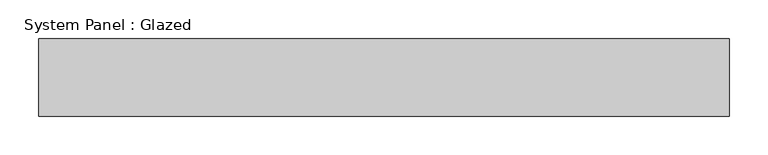
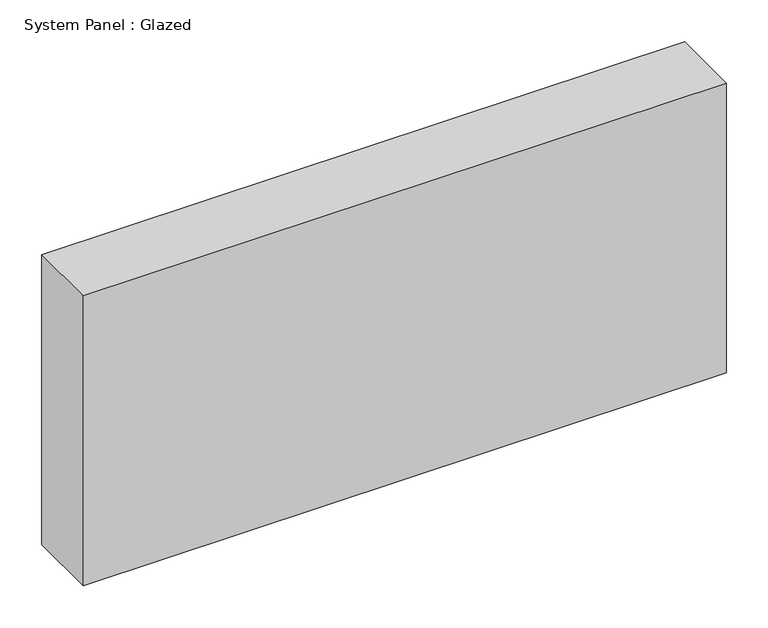
"""IFC4 building model written with IfcOpenShell, lengths in millimetres: plate geometry, System Panel : Glazed."""

import ifcopenshell
import ifcopenshell.guid

model = None  # the IFC model being written
_history = None  # IfcOwnerHistory: only IFC2X3 demands one
_inside = {}  # id of a spatial element -> (the spatial element, [elements in it])
_under = {}  # id of a project, library or spatial element -> (it, [spatial elements below it])
_declared = {}  # id of a project -> (the project, [libraries it declares])
_typed = {}  # id of a type object -> (the type object, [elements of that type])
_made_of = {}  # id of a material, layer set ... -> (it, [elements and type objects made of it])


def new_model(schema):
    """Start an empty IFC model of exactly this schema.

    Asked for "IFC4X3", IfcOpenShell would pick the latest addendum, in which some entities
    have other attributes; the version numbers below select the first issue.
    IFC2X3 requires an IfcOwnerHistory on every rooted entity: one is made here for all.
    """
    global model, _history
    if schema == "IFC4X3":
        model = ifcopenshell.file(schema_version=(4, 3, 0, 0))
    else:
        model = ifcopenshell.file(schema=schema)
    _inside.clear()
    _under.clear()
    _declared.clear()
    _typed.clear()
    _made_of.clear()
    _history = None
    if model.schema == "IFC2X3":
        org = make("IfcOrganization", Name="unknown")
        user = make(
            "IfcPersonAndOrganization",
            ThePerson=make("IfcPerson", FamilyName="unknown"),
            TheOrganization=org,
        )
        app = make(
            "IfcApplication",
            ApplicationDeveloper=org,
            Version="unknown",
            ApplicationFullName="unknown",
            ApplicationIdentifier="unknown",
        )
        _history = make(
            "IfcOwnerHistory",
            OwningUser=user,
            OwningApplication=app,
            ChangeAction="ADDED",
            CreationDate=0,
        )
    return model


def make(cls, **values):
    """One entity of the class cls with the attributes given. An attribute that is None is left unset."""
    return model.create_entity(
        cls, **{name: value for name, value in values.items() if value is not None}
    )


def rooted(cls, **values):
    """An entity with a GlobalId (a new one), such as an element, a storey or a relation."""
    return make(cls, GlobalId=ifcopenshell.guid.new(), OwnerHistory=_history, **values)


def si_unit(unit_type, name, prefix=None):
    """IfcSIUnit, for example si_unit("LENGTHUNIT", "METRE", prefix="MILLI")."""
    return make("IfcSIUnit", UnitType=unit_type, Prefix=prefix, Name=name)


def assignment(units):
    """IfcUnitAssignment: the units of a project."""
    return None if units is None else make("IfcUnitAssignment", Units=units)


def point(xyz):
    """IfcCartesianPoint."""
    return None if xyz is None else make("IfcCartesianPoint", Coordinates=xyz)


def direction(xyz):
    """IfcDirection."""
    return None if xyz is None else make("IfcDirection", DirectionRatios=xyz)


def frame(location, z_axis=None, x_axis=None):
    """IfcAxis2Placement3D, a coordinate frame: its origin and axes. An axis left out is left unset."""
    return make(
        "IfcAxis2Placement3D",
        Location=point(location),
        Axis=direction(z_axis),
        RefDirection=direction(x_axis),
    )


def origin():
    """The frame at (0, 0, 0) with its axes left unset."""
    return frame((0.0, 0.0, 0.0))


def origin_with_axes():
    """The frame at (0, 0, 0) with the z axis (0, 0, 1) and the x axis (1, 0, 0) written out."""
    return frame((0.0, 0.0, 0.0), z_axis=(0.0, 0.0, 1.0), x_axis=(1.0, 0.0, 0.0))


def place(relative_to, where):
    """IfcLocalPlacement: puts the frame where relative to a parent placement (None: the world)."""
    return make(
        "IfcLocalPlacement", PlacementRelTo=relative_to, RelativePlacement=where
    )


def context(
    kind, dimensions, precision=None, world=None, true_north=None, identifier=None
):
    """IfcGeometricRepresentationContext, for example the 3D "Model" context."""
    return make(
        "IfcGeometricRepresentationContext",
        ContextIdentifier=identifier,
        ContextType=kind,
        CoordinateSpaceDimension=dimensions,
        Precision=precision,
        WorldCoordinateSystem=world,
        TrueNorth=true_north,
    )


def project(units=None, contexts=None):
    """IfcProject with its units and contexts."""
    return rooted(
        "IfcProject",
        Name="project",
        RepresentationContexts=contexts,
        UnitsInContext=assignment(units),
    )


def spatial(cls, under=None, at=None, **own):
    """A site, building, storey or space (cls), placed at a placement, below another one or the project."""
    s = rooted(cls, ObjectPlacement=at, **own)
    if under is not None:
        _under.setdefault(under.id(), (under, []))[1].append(s)
    return s


def polyline(points):
    """IfcPolyline through the points."""
    return make("IfcPolyline", Points=[point(p) for p in points])


def outline(outer, holes=None, kind="AREA"):
    """IfcArbitraryClosedProfileDef: a profile drawn as a closed curve; with holes, ...WithVoids."""
    if holes is None:
        return make("IfcArbitraryClosedProfileDef", ProfileType=kind, OuterCurve=outer)
    return make(
        "IfcArbitraryProfileDefWithVoids",
        ProfileType=kind,
        OuterCurve=outer,
        InnerCurves=holes,
    )


def extrude(swept, where, along, depth):
    """IfcExtrudedAreaSolid: the profile swept, set in the frame where, extruded along a direction by depth."""
    return make(
        "IfcExtrudedAreaSolid",
        SweptArea=swept,
        Position=where,
        ExtrudedDirection=direction(along),
        Depth=depth,
    )


def shape(context_of_items, identifier, shape_type, items):
    """IfcShapeRepresentation: the items that make up one representation, for example the "Body"."""
    return make(
        "IfcShapeRepresentation",
        ContextOfItems=context_of_items,
        RepresentationIdentifier=identifier,
        RepresentationType=shape_type,
        Items=items,
    )


def source(mapping_origin, context_of_items, identifier, shape_type, items):
    """IfcRepresentationMap: a shape defined once, which mapped items show again and again."""
    return make(
        "IfcRepresentationMap",
        MappingOrigin=mapping_origin,
        MappedRepresentation=shape(context_of_items, identifier, shape_type, items),
    )


def transform(
    local_origin,
    x_axis=None,
    y_axis=None,
    z_axis=None,
    scale=None,
    scale2=None,
    scale3=None,
    uniform=True,
):
    """IfcCartesianTransformationOperator3D, or its non-uniform kind. x_axis, y_axis, z_axis: its Axis1, 2, 3."""
    if uniform:
        return make(
            "IfcCartesianTransformationOperator3D",
            Axis1=direction(x_axis),
            Axis2=direction(y_axis),
            LocalOrigin=point(local_origin),
            Scale=scale,
            Axis3=direction(z_axis),
        )
    return make(
        "IfcCartesianTransformationOperator3DnonUniform",
        Axis1=direction(x_axis),
        Axis2=direction(y_axis),
        LocalOrigin=point(local_origin),
        Scale=scale,
        Axis3=direction(z_axis),
        Scale2=scale2,
        Scale3=scale3,
    )


def mapped(mapping_source, mapping_target):
    """IfcMappedItem: shows the shape of a source again, moved by a transform."""
    return make(
        "IfcMappedItem", MappingSource=mapping_source, MappingTarget=mapping_target
    )


def made_of(thing, what):
    """Note that an element or type object is made of a material, layer set ...; save() writes the relation."""
    if what is not None:
        _made_of.setdefault(what.id(), (what, []))[1].append(thing)
    return thing


def element(
    cls,
    number,
    at=None,
    inside=None,
    cuts=None,
    type_object=None,
    material=None,
    context=None,
    identifier="Body",
    shape_type=None,
    held_by="IfcProductDefinitionShape",
    body=None,
    shapes=None,
    **own,
):
    """One element of the class cls, such as IfcWall. Its Tag is "e" and its number.

    at: its placement. inside: the storey or other place that contains it. cuts: it is an
    opening in that element (IfcRelVoidsElement). A single representation is given by context,
    identifier, shape_type and body (its items); several are given by shapes. held_by: the class
    of the entity that holds the representations. save() writes the other relations.
    """
    e = rooted(cls, Tag="e%d" % number, ObjectPlacement=at, **own)
    if body is not None:
        shapes = [shape(context, identifier, shape_type, body)]
    if shapes is not None:
        e.Representation = make(held_by, Representations=shapes)
    if inside is not None:
        _inside.setdefault(inside.id(), (inside, []))[1].append(e)
    if cuts is not None:
        rooted(
            "IfcRelVoidsElement", RelatingBuildingElement=cuts, RelatedOpeningElement=e
        )
    if type_object is not None:
        _typed.setdefault(type_object.id(), (type_object, []))[1].append(e)
    return made_of(e, material)


def aggregate(whole, parts):
    """IfcRelAggregates: a whole, such as a stair, and the parts it consists of."""
    return rooted("IfcRelAggregates", RelatingObject=whole, RelatedObjects=parts)


def save(model, path):
    """Write the relations noted so far, then the file.

    IfcRelAggregates (storeys below a building ...), IfcRelContainedInSpatialStructure (elements
    in a storey), IfcRelDefinesByType, IfcRelAssociatesMaterial and IfcRelDeclares: one each for
    every whole, place, type object, material and project.
    """
    for whole, parts in _under.values():
        aggregate(whole, parts)
    for where, things in _inside.values():
        rooted(
            "IfcRelContainedInSpatialStructure",
            RelatedElements=things,
            RelatingStructure=where,
        )
    for kind, things in _typed.values():
        rooted("IfcRelDefinesByType", RelatedObjects=things, RelatingType=kind)
    for what, things in _made_of.values():
        rooted("IfcRelAssociatesMaterial", RelatedObjects=things, RelatingMaterial=what)
    for by, libraries in _declared.values():
        rooted("IfcRelDeclares", RelatingContext=by, RelatedDefinitions=libraries)
    model.write(path)


def system_panel_glazed_1b86c70c(model_context):
    return source(origin(), model_context, "Body", "SweptSolid", [
        extrude(outline(polyline([(445.8333333, 50.0), (-445.8333333, 50.0), (-445.8333333, 150.0), (445.8333333, 150.0), (445.8333333, 50.0)])), origin_with_axes(), (0.0, 0.0, 1.0), 425.0),
    ])


if __name__ == "__main__":
    model = new_model("IFC4")
    model_context = context("Model", 3, world=origin())
    ifc_project = project(units=[si_unit("LENGTHUNIT", "METRE", prefix="MILLI")], contexts=[model_context])
    site = spatial("IfcSite", under=ifc_project)
    building = spatial("IfcBuilding", under=site)
    placement = place(None, origin())
    system_panel_glazed_shape = system_panel_glazed_1b86c70c(model_context)
    element("IfcPlate", 1, ObjectType="System Panel : Glazed", at=placement, inside=building, context=model_context, shape_type="MappedRepresentation", body=[
        mapped(system_panel_glazed_shape, transform((0.0, 0.0, 0.0), x_axis=(1.0, 0.0, 0.0), y_axis=(0.0, 1.0, 0.0), z_axis=(0.0, 0.0, 1.0))),
    ])
    save(model, "model.ifc")
